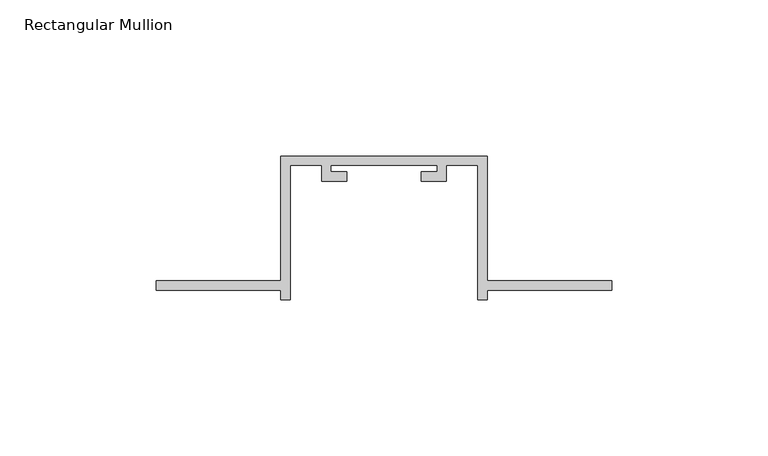
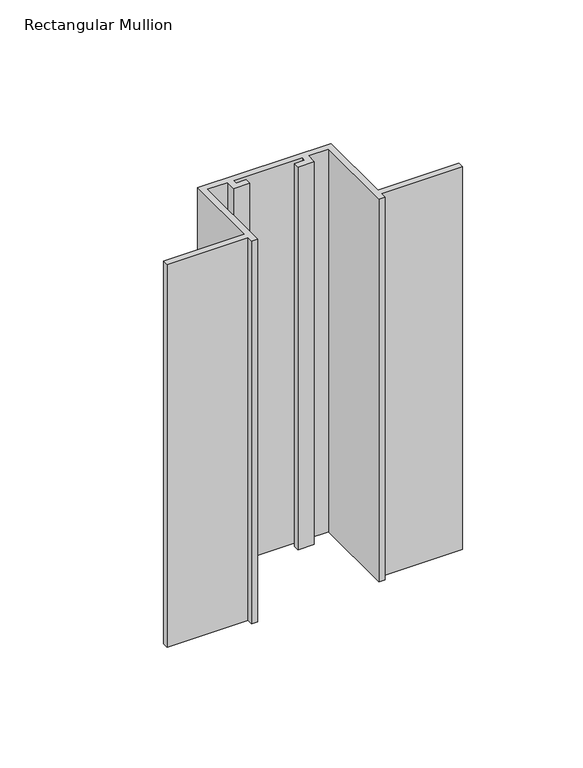
"""IFC4 building model written with IfcOpenShell, lengths in millimetres: member geometry, Rectangular Mullion."""

from ifc_helpers import new_model, si_unit, frame, origin, place, context, project, spatial, polyline, outline, extrude, source, transform, mapped, element, save


def rectangular_mullion_253cca7c(model_context):
    return source(origin(), model_context, "Body", "SweptSolid", [
        extrude(outline(polyline([(-106.0, -132.0), (-146.0, -132.0), (-146.0, -129.0), (-106.0, -129.0), (-106.0, -89.0), (-40.0, -89.0), (-40.0, -129.0), (0.0, -129.0), (0.0, -132.0), (-40.0, -132.0), (-40.0, -135.0), (-43.0, -135.0), (-43.0, -92.0), (-53.0, -92.0), (-53.0, -97.0), (-61.0, -97.0), (-61.0, -94.0), (-56.0, -94.0), (-56.0, -92.0), (-90.0, -92.0), (-90.0, -94.0), (-85.0, -94.0), (-85.0, -97.0), (-93.0, -97.0), (-93.0, -92.0), (-103.0, -92.0), (-103.0, -135.0), (-106.0, -135.0), (-106.0, -132.0)])), frame((0.0, 0.0, -200.0), z_axis=(0.0, 0.0, 1.0), x_axis=(1.0, 0.0, 0.0)), (0.0, 0.0, 1.0), 200.0),
    ])


if __name__ == "__main__":
    model = new_model("IFC4")
    model_context = context("Model", 3, world=origin())
    ifc_project = project(units=[si_unit("LENGTHUNIT", "METRE", prefix="MILLI")], contexts=[model_context])
    site = spatial("IfcSite", under=ifc_project)
    building = spatial("IfcBuilding", under=site)
    placement = place(None, origin())
    rectangular_mullion_shape = rectangular_mullion_253cca7c(model_context)
    element("IfcMember", 1, ObjectType="Rectangular Mullion", at=placement, inside=building, context=model_context, shape_type="MappedRepresentation", body=[
        mapped(rectangular_mullion_shape, transform((0.0, 0.0, 0.0), x_axis=(1.0, 0.0, 0.0), y_axis=(0.0, 1.0, 0.0), z_axis=(0.0, 0.0, 1.0))),
    ])
    save(model, "model.ifc")
